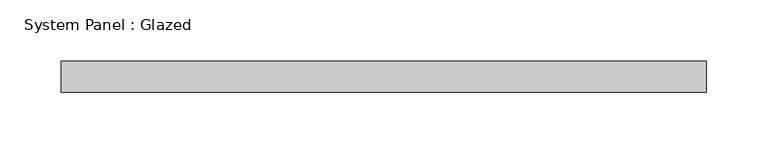
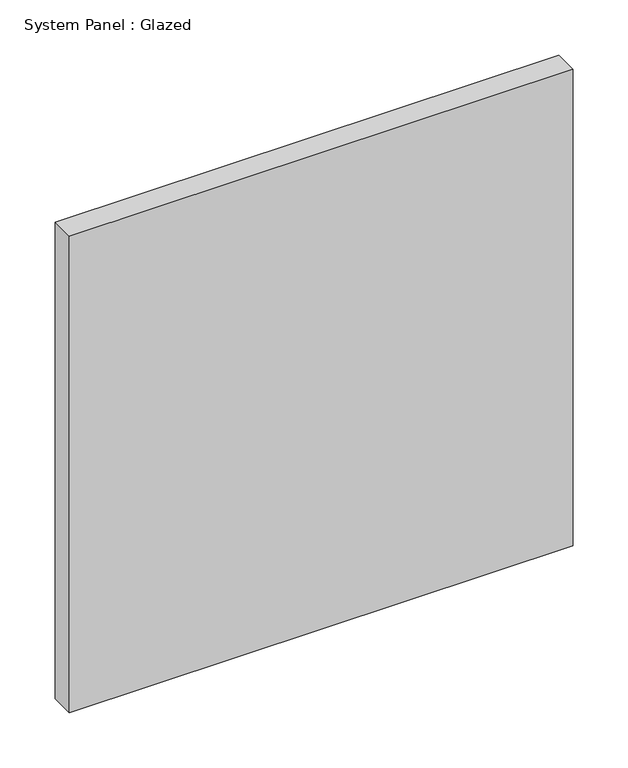
"""IFC4 building model written with IfcOpenShell, lengths in millimetres: plate geometry, System Panel : Glazed."""

import ifcopenshell
import ifcopenshell.guid

model = None  # the IFC model being written
_history = None  # IfcOwnerHistory: only IFC2X3 demands one
_inside = {}  # id of a spatial element -> (the spatial element, [elements in it])
_under = {}  # id of a project, library or spatial element -> (it, [spatial elements below it])
_declared = {}  # id of a project -> (the project, [libraries it declares])
_typed = {}  # id of a type object -> (the type object, [elements of that type])
_made_of = {}  # id of a material, layer set ... -> (it, [elements and type objects made of it])


def new_model(schema):
    """Start an empty IFC model of exactly this schema.

    Asked for "IFC4X3", IfcOpenShell would pick the latest addendum, in which some entities
    have other attributes; the version numbers below select the first issue.
    IFC2X3 requires an IfcOwnerHistory on every rooted entity: one is made here for all.
    """
    global model, _history
    if schema == "IFC4X3":
        model = ifcopenshell.file(schema_version=(4, 3, 0, 0))
    else:
        model = ifcopenshell.file(schema=schema)
    _inside.clear()
    _under.clear()
    _declared.clear()
    _typed.clear()
    _made_of.clear()
    _history = None
    if model.schema == "IFC2X3":
        org = make("IfcOrganization", Name="unknown")
        user = make(
            "IfcPersonAndOrganization",
            ThePerson=make("IfcPerson", FamilyName="unknown"),
            TheOrganization=org,
        )
        app = make(
            "IfcApplication",
            ApplicationDeveloper=org,
            Version="unknown",
            ApplicationFullName="unknown",
            ApplicationIdentifier="unknown",
        )
        _history = make(
            "IfcOwnerHistory",
            OwningUser=user,
            OwningApplication=app,
            ChangeAction="ADDED",
            CreationDate=0,
        )
    return model


def make(cls, **values):
    """One entity of the class cls with the attributes given. An attribute that is None is left unset."""
    return model.create_entity(
        cls, **{name: value for name, value in values.items() if value is not None}
    )


def rooted(cls, **values):
    """An entity with a GlobalId (a new one), such as an element, a storey or a relation."""
    return make(cls, GlobalId=ifcopenshell.guid.new(), OwnerHistory=_history, **values)


def si_unit(unit_type, name, prefix=None):
    """IfcSIUnit, for example si_unit("LENGTHUNIT", "METRE", prefix="MILLI")."""
    return make("IfcSIUnit", UnitType=unit_type, Prefix=prefix, Name=name)


def assignment(units):
    """IfcUnitAssignment: the units of a project."""
    return None if units is None else make("IfcUnitAssignment", Units=units)


def point(xyz):
    """IfcCartesianPoint."""
    return None if xyz is None else make("IfcCartesianPoint", Coordinates=xyz)


def direction(xyz):
    """IfcDirection."""
    return None if xyz is None else make("IfcDirection", DirectionRatios=xyz)


def frame(location, z_axis=None, x_axis=None):
    """IfcAxis2Placement3D, a coordinate frame: its origin and axes. An axis left out is left unset."""
    return make(
        "IfcAxis2Placement3D",
        Location=point(location),
        Axis=direction(z_axis),
        RefDirection=direction(x_axis),
    )


def origin():
    """The frame at (0, 0, 0) with its axes left unset."""
    return frame((0.0, 0.0, 0.0))


def origin_with_axes():
    """The frame at (0, 0, 0) with the z axis (0, 0, 1) and the x axis (1, 0, 0) written out."""
    return frame((0.0, 0.0, 0.0), z_axis=(0.0, 0.0, 1.0), x_axis=(1.0, 0.0, 0.0))


def place(relative_to, where):
    """IfcLocalPlacement: puts the frame where relative to a parent placement (None: the world)."""
    return make(
        "IfcLocalPlacement", PlacementRelTo=relative_to, RelativePlacement=where
    )


def context(
    kind, dimensions, precision=None, world=None, true_north=None, identifier=None
):
    """IfcGeometricRepresentationContext, for example the 3D "Model" context."""
    return make(
        "IfcGeometricRepresentationContext",
        ContextIdentifier=identifier,
        ContextType=kind,
        CoordinateSpaceDimension=dimensions,
        Precision=precision,
        WorldCoordinateSystem=world,
        TrueNorth=true_north,
    )


def project(units=None, contexts=None):
    """IfcProject with its units and contexts."""
    return rooted(
        "IfcProject",
        Name="project",
        RepresentationContexts=contexts,
        UnitsInContext=assignment(units),
    )


def spatial(cls, under=None, at=None, **own):
    """A site, building, storey or space (cls), placed at a placement, below another one or the project."""
    s = rooted(cls, ObjectPlacement=at, **own)
    if under is not None:
        _under.setdefault(under.id(), (under, []))[1].append(s)
    return s


def polyline(points):
    """IfcPolyline through the points."""
    return make("IfcPolyline", Points=[point(p) for p in points])


def outline(outer, holes=None, kind="AREA"):
    """IfcArbitraryClosedProfileDef: a profile drawn as a closed curve; with holes, ...WithVoids."""
    if holes is None:
        return make("IfcArbitraryClosedProfileDef", ProfileType=kind, OuterCurve=outer)
    return make(
        "IfcArbitraryProfileDefWithVoids",
        ProfileType=kind,
        OuterCurve=outer,
        InnerCurves=holes,
    )


def extrude(swept, where, along, depth):
    """IfcExtrudedAreaSolid: the profile swept, set in the frame where, extruded along a direction by depth."""
    return make(
        "IfcExtrudedAreaSolid",
        SweptArea=swept,
        Position=where,
        ExtrudedDirection=direction(along),
        Depth=depth,
    )


def shape(context_of_items, identifier, shape_type, items):
    """IfcShapeRepresentation: the items that make up one representation, for example the "Body"."""
    return make(
        "IfcShapeRepresentation",
        ContextOfItems=context_of_items,
        RepresentationIdentifier=identifier,
        RepresentationType=shape_type,
        Items=items,
    )


def source(mapping_origin, context_of_items, identifier, shape_type, items):
    """IfcRepresentationMap: a shape defined once, which mapped items show again and again."""
    return make(
        "IfcRepresentationMap",
        MappingOrigin=mapping_origin,
        MappedRepresentation=shape(context_of_items, identifier, shape_type, items),
    )


def transform(
    local_origin,
    x_axis=None,
    y_axis=None,
    z_axis=None,
    scale=None,
    scale2=None,
    scale3=None,
    uniform=True,
):
    """IfcCartesianTransformationOperator3D, or its non-uniform kind. x_axis, y_axis, z_axis: its Axis1, 2, 3."""
    if uniform:
        return make(
            "IfcCartesianTransformationOperator3D",
            Axis1=direction(x_axis),
            Axis2=direction(y_axis),
            LocalOrigin=point(local_origin),
            Scale=scale,
            Axis3=direction(z_axis),
        )
    return make(
        "IfcCartesianTransformationOperator3DnonUniform",
        Axis1=direction(x_axis),
        Axis2=direction(y_axis),
        LocalOrigin=point(local_origin),
        Scale=scale,
        Axis3=direction(z_axis),
        Scale2=scale2,
        Scale3=scale3,
    )


def mapped(mapping_source, mapping_target):
    """IfcMappedItem: shows the shape of a source again, moved by a transform."""
    return make(
        "IfcMappedItem", MappingSource=mapping_source, MappingTarget=mapping_target
    )


def made_of(thing, what):
    """Note that an element or type object is made of a material, layer set ...; save() writes the relation."""
    if what is not None:
        _made_of.setdefault(what.id(), (what, []))[1].append(thing)
    return thing


def element(
    cls,
    number,
    at=None,
    inside=None,
    cuts=None,
    type_object=None,
    material=None,
    context=None,
    identifier="Body",
    shape_type=None,
    held_by="IfcProductDefinitionShape",
    body=None,
    shapes=None,
    **own,
):
    """One element of the class cls, such as IfcWall. Its Tag is "e" and its number.

    at: its placement. inside: the storey or other place that contains it. cuts: it is an
    opening in that element (IfcRelVoidsElement). A single representation is given by context,
    identifier, shape_type and body (its items); several are given by shapes. held_by: the class
    of the entity that holds the representations. save() writes the other relations.
    """
    e = rooted(cls, Tag="e%d" % number, ObjectPlacement=at, **own)
    if body is not None:
        shapes = [shape(context, identifier, shape_type, body)]
    if shapes is not None:
        e.Representation = make(held_by, Representations=shapes)
    if inside is not None:
        _inside.setdefault(inside.id(), (inside, []))[1].append(e)
    if cuts is not None:
        rooted(
            "IfcRelVoidsElement", RelatingBuildingElement=cuts, RelatedOpeningElement=e
        )
    if type_object is not None:
        _typed.setdefault(type_object.id(), (type_object, []))[1].append(e)
    return made_of(e, material)


def aggregate(whole, parts):
    """IfcRelAggregates: a whole, such as a stair, and the parts it consists of."""
    return rooted("IfcRelAggregates", RelatingObject=whole, RelatedObjects=parts)


def save(model, path):
    """Write the relations noted so far, then the file.

    IfcRelAggregates (storeys below a building ...), IfcRelContainedInSpatialStructure (elements
    in a storey), IfcRelDefinesByType, IfcRelAssociatesMaterial and IfcRelDeclares: one each for
    every whole, place, type object, material and project.
    """
    for whole, parts in _under.values():
        aggregate(whole, parts)
    for where, things in _inside.values():
        rooted(
            "IfcRelContainedInSpatialStructure",
            RelatedElements=things,
            RelatingStructure=where,
        )
    for kind, things in _typed.values():
        rooted("IfcRelDefinesByType", RelatedObjects=things, RelatingType=kind)
    for what, things in _made_of.values():
        rooted("IfcRelAssociatesMaterial", RelatedObjects=things, RelatingMaterial=what)
    for by, libraries in _declared.values():
        rooted("IfcRelDeclares", RelatingContext=by, RelatedDefinitions=libraries)
    model.write(path)


def system_panel_glazed_162eeb38(model_context):
    return source(origin(), model_context, "Body", "SweptSolid", [
        extrude(outline(polyline([(263.525, -44.45), (-263.525, -44.45), (-263.525, -19.05), (263.525, -19.05), (263.525, -44.45)])), origin_with_axes(), (0.0, 0.0, 1.0), 527.05),
    ])


if __name__ == "__main__":
    model = new_model("IFC4")
    model_context = context("Model", 3, world=origin())
    ifc_project = project(units=[si_unit("LENGTHUNIT", "METRE", prefix="MILLI")], contexts=[model_context])
    site = spatial("IfcSite", under=ifc_project)
    building = spatial("IfcBuilding", under=site)
    placement = place(None, origin())
    system_panel_glazed_shape = system_panel_glazed_162eeb38(model_context)
    element("IfcPlate", 1, ObjectType="System Panel : Glazed", at=placement, inside=building, context=model_context, shape_type="MappedRepresentation", body=[
        mapped(system_panel_glazed_shape, transform((0.0, 0.0, 0.0), x_axis=(1.0, 0.0, 0.0), y_axis=(0.0, 1.0, 0.0), z_axis=(0.0, 0.0, 1.0))),
    ])
    save(model, "model.ifc")
